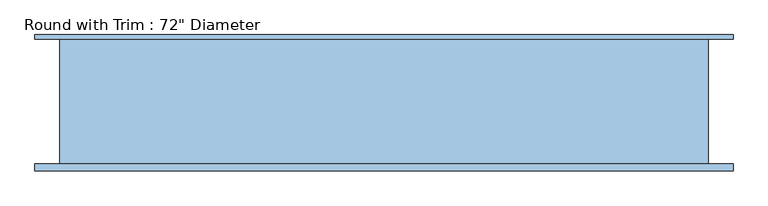
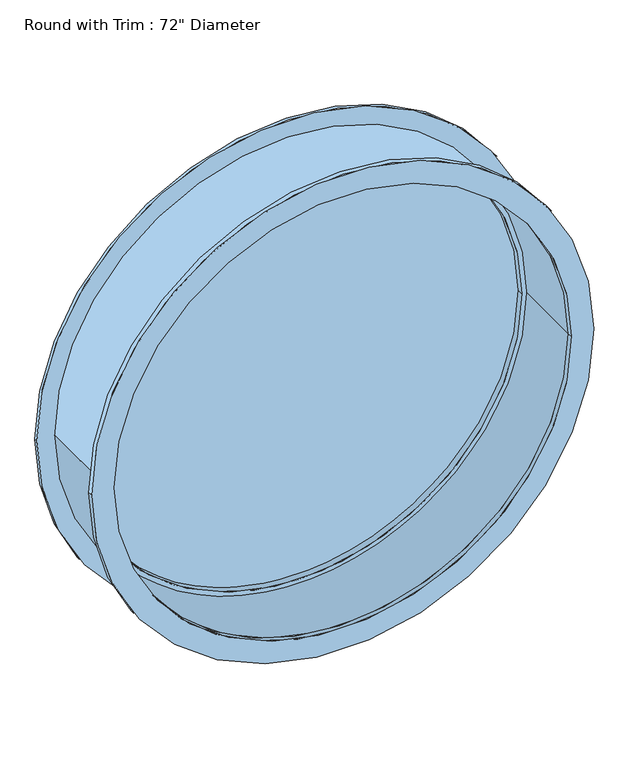
"""IFC4 building model written with IfcOpenShell, lengths in millimetres: window geometry."""

from ifc_helpers import new_model, si_unit, point, frame, frame_2d, origin, place, context, project, spatial, circle_curve, trimmed, segment, composite_curve, outline, extrude, source, transform, mapped, element, save


def window_8f230b44(model_context):
    return source(origin(), model_context, "Body", "SweptSolid", [
        extrude(outline(composite_curve([segment(trimmed(circle_curve(frame_2d((1524.0, 457.2)), 984.25), [point((1524.0, -527.05))], [point((1524.0, 1441.45))], False, "CARTESIAN"), True, "CONTINUOUS"), segment(trimmed(circle_curve(frame_2d((1524.0, 457.2)), 984.25), [point((1524.0, 1441.45))], [point((1524.0, -527.05))], False, "CARTESIAN"), True, "CONTINUOUS")], self_intersect=False), holes=[composite_curve([segment(trimmed(circle_curve(frame_2d((1524.0, 457.2)), 895.35), [point((1524.0, -438.15))], [point((1524.0, 1352.55))], True, "CARTESIAN"), True, "CONTINUOUS"), segment(trimmed(circle_curve(frame_2d((1524.0, 457.2)), 895.35), [point((1524.0, 1352.55))], [point((1524.0, -438.15))], True, "CARTESIAN"), True, "CONTINUOUS")], self_intersect=False)]), frame((0.0, -195.2625, 0.0), z_axis=(0.0, 1.0, 0.0), x_axis=(0.0, 0.0, 1.0)), (0.0, 0.0, 1.0), 19.05),
        extrude(outline(composite_curve([segment(trimmed(circle_curve(frame_2d((1524.0, 457.2)), 984.25), [point((1524.0, -527.05))], [point((1524.0, 1441.45))], False, "CARTESIAN"), True, "CONTINUOUS"), segment(trimmed(circle_curve(frame_2d((1524.0, 457.2)), 984.25), [point((1524.0, 1441.45))], [point((1524.0, -527.05))], False, "CARTESIAN"), True, "CONTINUOUS")], self_intersect=False), holes=[composite_curve([segment(trimmed(circle_curve(frame_2d((1524.0, 457.2)), 895.35), [point((1524.0, -438.15))], [point((1524.0, 1352.55))], True, "CARTESIAN"), True, "CONTINUOUS"), segment(trimmed(circle_curve(frame_2d((1524.0, 457.2)), 895.35), [point((1524.0, 1352.55))], [point((1524.0, -438.15))], True, "CARTESIAN"), True, "CONTINUOUS")], self_intersect=False)]), frame((0.0, 176.2125, 0.0), z_axis=(0.0, 1.0, 0.0), x_axis=(0.0, 0.0, 1.0)), (0.0, 0.0, 1.0), 12.7),
        extrude(outline(composite_curve([segment(trimmed(circle_curve(frame_2d((1524.0, 457.2)), 876.3), [point((1524.0, -419.1))], [point((1524.0, 1333.5))], False, "CARTESIAN"), True, "CONTINUOUS"), segment(trimmed(circle_curve(frame_2d((1524.0, 457.2)), 876.3), [point((1524.0, 1333.5))], [point((1524.0, -419.1))], False, "CARTESIAN"), True, "CONTINUOUS")], self_intersect=False)), frame((0.0, 131.7625, 0.0), z_axis=(0.0, 1.0, 0.0), x_axis=(0.0, 0.0, 1.0)), (0.0, 0.0, 1.0), 12.7),
        extrude(outline(composite_curve([segment(trimmed(circle_curve(frame_2d((1524.0, 457.2)), 895.35), [point((1524.0, -438.15))], [point((1524.0, 1352.55))], False, "CARTESIAN"), True, "CONTINUOUS"), segment(trimmed(circle_curve(frame_2d((1524.0, 457.2)), 895.35), [point((1524.0, 1352.55))], [point((1524.0, -438.15))], False, "CARTESIAN"), True, "CONTINUOUS")], self_intersect=False), holes=[composite_curve([segment(trimmed(circle_curve(frame_2d((1524.0, 457.2)), 876.3), [point((1524.0, -419.1))], [point((1524.0, 1333.5))], True, "CARTESIAN"), True, "CONTINUOUS"), segment(trimmed(circle_curve(frame_2d((1524.0, 457.2)), 876.3), [point((1524.0, 1333.5))], [point((1524.0, -419.1))], True, "CARTESIAN"), True, "CONTINUOUS")], self_intersect=False)]), frame((0.0, 106.3625, 0.0), z_axis=(0.0, 1.0, 0.0), x_axis=(0.0, 0.0, 1.0)), (0.0, 0.0, 1.0), 50.8),
        extrude(outline(composite_curve([segment(trimmed(circle_curve(frame_2d((1524.0, 457.2)), 914.4), [point((1524.0, -457.2))], [point((1524.0, 1371.6))], False, "CARTESIAN"), True, "CONTINUOUS"), segment(trimmed(circle_curve(frame_2d((1524.0, 457.2)), 914.4), [point((1524.0, 1371.6))], [point((1524.0, -457.2))], False, "CARTESIAN"), True, "CONTINUOUS")], self_intersect=False), holes=[composite_curve([segment(trimmed(circle_curve(frame_2d((1524.0, 457.2)), 895.35), [point((1524.0, -438.15))], [point((1524.0, 1352.55))], True, "CARTESIAN"), True, "CONTINUOUS"), segment(trimmed(circle_curve(frame_2d((1524.0, 457.2)), 895.35), [point((1524.0, 1352.55))], [point((1524.0, -438.15))], True, "CARTESIAN"), True, "CONTINUOUS")], self_intersect=False)]), frame((0.0, -176.2125, 0.0), z_axis=(0.0, 1.0, 0.0), x_axis=(0.0, 0.0, 1.0)), (0.0, 0.0, 1.0), 352.425),
    ])


if __name__ == "__main__":
    model = new_model("IFC4")
    model_context = context("Model", 3, world=origin())
    ifc_project = project(units=[si_unit("LENGTHUNIT", "METRE", prefix="MILLI")], contexts=[model_context])
    site = spatial("IfcSite", under=ifc_project)
    building = spatial("IfcBuilding", under=site)
    placement = place(None, origin())
    window_shape = window_8f230b44(model_context)
    element("IfcWindow", 1, ObjectType="Round with Trim : 72\" Diameter", at=placement, inside=building, context=model_context, shape_type="MappedRepresentation", body=[
        mapped(window_shape, transform((0.0, 0.0, 0.0), x_axis=(1.0, 0.0, 0.0), y_axis=(0.0, 1.0, 0.0), z_axis=(0.0, 0.0, 1.0))),
    ])
    save(model, "model.ifc")
